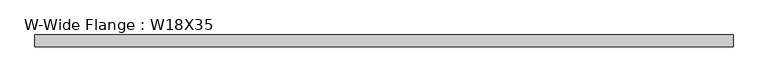
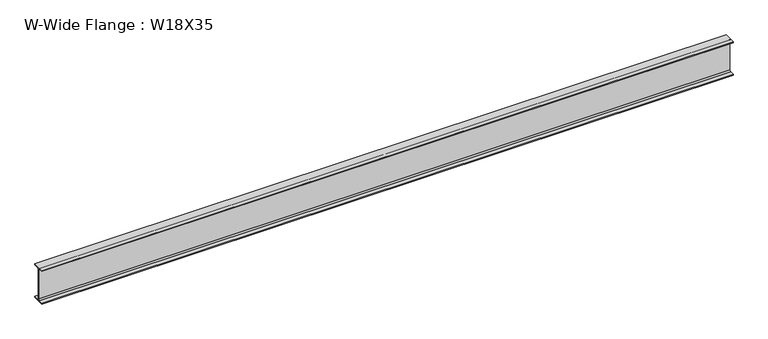
"""IFC4 building model written with IfcOpenShell, lengths in millimetres: beam geometry, W-Wide Flange : W18X35."""

import ifcopenshell
import ifcopenshell.guid

model = None  # the IFC model being written
_history = None  # IfcOwnerHistory: only IFC2X3 demands one
_inside = {}  # id of a spatial element -> (the spatial element, [elements in it])
_under = {}  # id of a project, library or spatial element -> (it, [spatial elements below it])
_declared = {}  # id of a project -> (the project, [libraries it declares])
_typed = {}  # id of a type object -> (the type object, [elements of that type])
_made_of = {}  # id of a material, layer set ... -> (it, [elements and type objects made of it])


def new_model(schema):
    """Start an empty IFC model of exactly this schema.

    Asked for "IFC4X3", IfcOpenShell would pick the latest addendum, in which some entities
    have other attributes; the version numbers below select the first issue.
    IFC2X3 requires an IfcOwnerHistory on every rooted entity: one is made here for all.
    """
    global model, _history
    if schema == "IFC4X3":
        model = ifcopenshell.file(schema_version=(4, 3, 0, 0))
    else:
        model = ifcopenshell.file(schema=schema)
    _inside.clear()
    _under.clear()
    _declared.clear()
    _typed.clear()
    _made_of.clear()
    _history = None
    if model.schema == "IFC2X3":
        org = make("IfcOrganization", Name="unknown")
        user = make(
            "IfcPersonAndOrganization",
            ThePerson=make("IfcPerson", FamilyName="unknown"),
            TheOrganization=org,
        )
        app = make(
            "IfcApplication",
            ApplicationDeveloper=org,
            Version="unknown",
            ApplicationFullName="unknown",
            ApplicationIdentifier="unknown",
        )
        _history = make(
            "IfcOwnerHistory",
            OwningUser=user,
            OwningApplication=app,
            ChangeAction="ADDED",
            CreationDate=0,
        )
    return model


def make(cls, **values):
    """One entity of the class cls with the attributes given. An attribute that is None is left unset."""
    return model.create_entity(
        cls, **{name: value for name, value in values.items() if value is not None}
    )


def rooted(cls, **values):
    """An entity with a GlobalId (a new one), such as an element, a storey or a relation."""
    return make(cls, GlobalId=ifcopenshell.guid.new(), OwnerHistory=_history, **values)


def si_unit(unit_type, name, prefix=None):
    """IfcSIUnit, for example si_unit("LENGTHUNIT", "METRE", prefix="MILLI")."""
    return make("IfcSIUnit", UnitType=unit_type, Prefix=prefix, Name=name)


def assignment(units):
    """IfcUnitAssignment: the units of a project."""
    return None if units is None else make("IfcUnitAssignment", Units=units)


def point(xyz):
    """IfcCartesianPoint."""
    return None if xyz is None else make("IfcCartesianPoint", Coordinates=xyz)


def direction(xyz):
    """IfcDirection."""
    return None if xyz is None else make("IfcDirection", DirectionRatios=xyz)


def frame(location, z_axis=None, x_axis=None):
    """IfcAxis2Placement3D, a coordinate frame: its origin and axes. An axis left out is left unset."""
    return make(
        "IfcAxis2Placement3D",
        Location=point(location),
        Axis=direction(z_axis),
        RefDirection=direction(x_axis),
    )


def frame_2d(location, x_axis=None):
    """IfcAxis2Placement2D, a coordinate frame in the plane: its origin and x axis."""
    return make(
        "IfcAxis2Placement2D", Location=point(location), RefDirection=direction(x_axis)
    )


def origin():
    """The frame at (0, 0, 0) with its axes left unset."""
    return frame((0.0, 0.0, 0.0))


def place(relative_to, where):
    """IfcLocalPlacement: puts the frame where relative to a parent placement (None: the world)."""
    return make(
        "IfcLocalPlacement", PlacementRelTo=relative_to, RelativePlacement=where
    )


def context(
    kind, dimensions, precision=None, world=None, true_north=None, identifier=None
):
    """IfcGeometricRepresentationContext, for example the 3D "Model" context."""
    return make(
        "IfcGeometricRepresentationContext",
        ContextIdentifier=identifier,
        ContextType=kind,
        CoordinateSpaceDimension=dimensions,
        Precision=precision,
        WorldCoordinateSystem=world,
        TrueNorth=true_north,
    )


def project(units=None, contexts=None):
    """IfcProject with its units and contexts."""
    return rooted(
        "IfcProject",
        Name="project",
        RepresentationContexts=contexts,
        UnitsInContext=assignment(units),
    )


def spatial(cls, under=None, at=None, **own):
    """A site, building, storey or space (cls), placed at a placement, below another one or the project."""
    s = rooted(cls, ObjectPlacement=at, **own)
    if under is not None:
        _under.setdefault(under.id(), (under, []))[1].append(s)
    return s


def polyline(points):
    """IfcPolyline through the points."""
    return make("IfcPolyline", Points=[point(p) for p in points])


def circle_curve(where, radius):
    """IfcCircle in the frame where."""
    return make("IfcCircle", Position=where, Radius=radius)


def trimmed(basis, trim1, trim2, sense, master):
    """IfcTrimmedCurve: the piece of a basis curve between two trims."""
    return make(
        "IfcTrimmedCurve",
        BasisCurve=basis,
        Trim1=trim1,
        Trim2=trim2,
        SenseAgreement=sense,
        MasterRepresentation=master,
    )


def segment(curve, same_sense, transition):
    """IfcCompositeCurveSegment."""
    return make(
        "IfcCompositeCurveSegment",
        Transition=transition,
        SameSense=same_sense,
        ParentCurve=curve,
    )


def composite_curve(segments, self_intersect=None):
    """IfcCompositeCurve: segments joined end to end."""
    return make("IfcCompositeCurve", Segments=segments, SelfIntersect=self_intersect)


def outline(outer, holes=None, kind="AREA"):
    """IfcArbitraryClosedProfileDef: a profile drawn as a closed curve; with holes, ...WithVoids."""
    if holes is None:
        return make("IfcArbitraryClosedProfileDef", ProfileType=kind, OuterCurve=outer)
    return make(
        "IfcArbitraryProfileDefWithVoids",
        ProfileType=kind,
        OuterCurve=outer,
        InnerCurves=holes,
    )


def extrude(swept, where, along, depth):
    """IfcExtrudedAreaSolid: the profile swept, set in the frame where, extruded along a direction by depth."""
    return make(
        "IfcExtrudedAreaSolid",
        SweptArea=swept,
        Position=where,
        ExtrudedDirection=direction(along),
        Depth=depth,
    )


def shape(context_of_items, identifier, shape_type, items):
    """IfcShapeRepresentation: the items that make up one representation, for example the "Body"."""
    return make(
        "IfcShapeRepresentation",
        ContextOfItems=context_of_items,
        RepresentationIdentifier=identifier,
        RepresentationType=shape_type,
        Items=items,
    )


def source(mapping_origin, context_of_items, identifier, shape_type, items):
    """IfcRepresentationMap: a shape defined once, which mapped items show again and again."""
    return make(
        "IfcRepresentationMap",
        MappingOrigin=mapping_origin,
        MappedRepresentation=shape(context_of_items, identifier, shape_type, items),
    )


def transform(
    local_origin,
    x_axis=None,
    y_axis=None,
    z_axis=None,
    scale=None,
    scale2=None,
    scale3=None,
    uniform=True,
):
    """IfcCartesianTransformationOperator3D, or its non-uniform kind. x_axis, y_axis, z_axis: its Axis1, 2, 3."""
    if uniform:
        return make(
            "IfcCartesianTransformationOperator3D",
            Axis1=direction(x_axis),
            Axis2=direction(y_axis),
            LocalOrigin=point(local_origin),
            Scale=scale,
            Axis3=direction(z_axis),
        )
    return make(
        "IfcCartesianTransformationOperator3DnonUniform",
        Axis1=direction(x_axis),
        Axis2=direction(y_axis),
        LocalOrigin=point(local_origin),
        Scale=scale,
        Axis3=direction(z_axis),
        Scale2=scale2,
        Scale3=scale3,
    )


def mapped(mapping_source, mapping_target):
    """IfcMappedItem: shows the shape of a source again, moved by a transform."""
    return make(
        "IfcMappedItem", MappingSource=mapping_source, MappingTarget=mapping_target
    )


def made_of(thing, what):
    """Note that an element or type object is made of a material, layer set ...; save() writes the relation."""
    if what is not None:
        _made_of.setdefault(what.id(), (what, []))[1].append(thing)
    return thing


def element(
    cls,
    number,
    at=None,
    inside=None,
    cuts=None,
    type_object=None,
    material=None,
    context=None,
    identifier="Body",
    shape_type=None,
    held_by="IfcProductDefinitionShape",
    body=None,
    shapes=None,
    **own,
):
    """One element of the class cls, such as IfcWall. Its Tag is "e" and its number.

    at: its placement. inside: the storey or other place that contains it. cuts: it is an
    opening in that element (IfcRelVoidsElement). A single representation is given by context,
    identifier, shape_type and body (its items); several are given by shapes. held_by: the class
    of the entity that holds the representations. save() writes the other relations.
    """
    e = rooted(cls, Tag="e%d" % number, ObjectPlacement=at, **own)
    if body is not None:
        shapes = [shape(context, identifier, shape_type, body)]
    if shapes is not None:
        e.Representation = make(held_by, Representations=shapes)
    if inside is not None:
        _inside.setdefault(inside.id(), (inside, []))[1].append(e)
    if cuts is not None:
        rooted(
            "IfcRelVoidsElement", RelatingBuildingElement=cuts, RelatedOpeningElement=e
        )
    if type_object is not None:
        _typed.setdefault(type_object.id(), (type_object, []))[1].append(e)
    return made_of(e, material)


def aggregate(whole, parts):
    """IfcRelAggregates: a whole, such as a stair, and the parts it consists of."""
    return rooted("IfcRelAggregates", RelatingObject=whole, RelatedObjects=parts)


def save(model, path):
    """Write the relations noted so far, then the file.

    IfcRelAggregates (storeys below a building ...), IfcRelContainedInSpatialStructure (elements
    in a storey), IfcRelDefinesByType, IfcRelAssociatesMaterial and IfcRelDeclares: one each for
    every whole, place, type object, material and project.
    """
    for whole, parts in _under.values():
        aggregate(whole, parts)
    for where, things in _inside.values():
        rooted(
            "IfcRelContainedInSpatialStructure",
            RelatedElements=things,
            RelatingStructure=where,
        )
    for kind, things in _typed.values():
        rooted("IfcRelDefinesByType", RelatedObjects=things, RelatingType=kind)
    for what, things in _made_of.values():
        rooted("IfcRelAssociatesMaterial", RelatedObjects=things, RelatingMaterial=what)
    for by, libraries in _declared.values():
        rooted("IfcRelDeclares", RelatingContext=by, RelatedDefinitions=libraries)
    model.write(path)


def w_wide_flange_w18x35_654dcaba(model_context):
    return source(origin(), model_context, "Body", "SweptSolid", [
        extrude(outline(composite_curve([segment(polyline([(76.2, -213.9652344), (76.2, -224.7800781), (-76.2, -224.7800781), (-76.2, -213.9652344), (-21.5800781, -213.9652344)]), True, "CONTINUOUS"), segment(trimmed(circle_curve(frame_2d((-21.5800781, -196.2050781)), 17.7601562), [point((-21.5800781, -213.9652344))], [point((-3.8199219, -196.2050781))], True, "CARTESIAN"), True, "CONTINUOUS"), segment(polyline([(-3.8199219, -196.2050781), (-3.8199219, 196.2050781)]), True, "CONTINUOUS"), segment(trimmed(circle_curve(frame_2d((-21.5800781, 196.2050781)), 17.7601563), [point((-3.8199219, 196.2050781))], [point((-21.5800781, 213.9652344))], True, "CARTESIAN"), True, "CONTINUOUS"), segment(polyline([(-21.5800781, 213.9652344), (-76.2, 213.9652344), (-76.2, 224.7800781), (76.2, 224.7800781), (76.2, 213.9652344), (21.5800781, 213.9652344)]), True, "CONTINUOUS"), segment(trimmed(circle_curve(frame_2d((21.5800781, 196.2050781)), 17.7601562), [point((21.5800781, 213.9652344))], [point((3.8199219, 196.2050781))], True, "CARTESIAN"), True, "CONTINUOUS"), segment(polyline([(3.8199219, 196.2050781), (3.8199219, -196.2050781)]), True, "CONTINUOUS"), segment(trimmed(circle_curve(frame_2d((21.5800781, -196.2050781)), 17.7601563), [point((3.8199219, -196.2050781))], [point((21.5800781, -213.9652344))], True, "CARTESIAN"), True, "CONTINUOUS"), segment(polyline([(21.5800781, -213.9652344), (76.2, -213.9652344)]), True, "CONTINUOUS")], self_intersect=False)), frame((-4407.6441406, 0.0, 0.0), z_axis=(1.0, 0.0, 0.0), x_axis=(0.0, 1.0, 0.0)), (0.0, 0.0, 1.0), 8815.2882813),
    ])


if __name__ == "__main__":
    model = new_model("IFC4")
    model_context = context("Model", 3, world=origin())
    ifc_project = project(units=[si_unit("LENGTHUNIT", "METRE", prefix="MILLI")], contexts=[model_context])
    site = spatial("IfcSite", under=ifc_project)
    building = spatial("IfcBuilding", under=site)
    placement = place(None, origin())
    w_wide_flange_w18x35_shape = w_wide_flange_w18x35_654dcaba(model_context)
    element("IfcBeam", 1, ObjectType="W-Wide Flange : W18X35", at=placement, inside=building, context=model_context, shape_type="MappedRepresentation", body=[
        mapped(w_wide_flange_w18x35_shape, transform((0.0, 0.0, 0.0), x_axis=(1.0, 0.0, 0.0), y_axis=(0.0, 1.0, 0.0), z_axis=(0.0, 0.0, 1.0))),
    ])
    save(model, "model.ifc")
